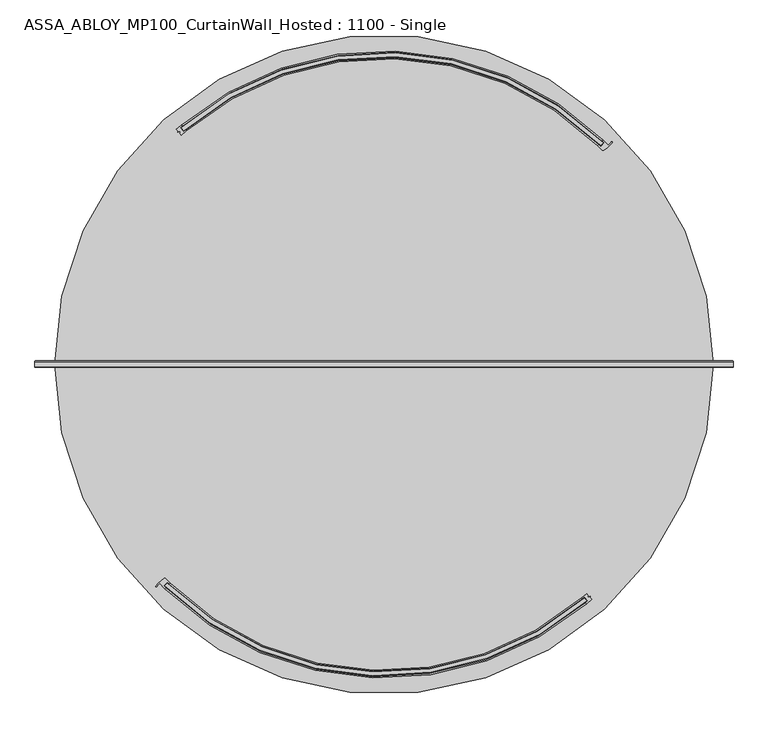
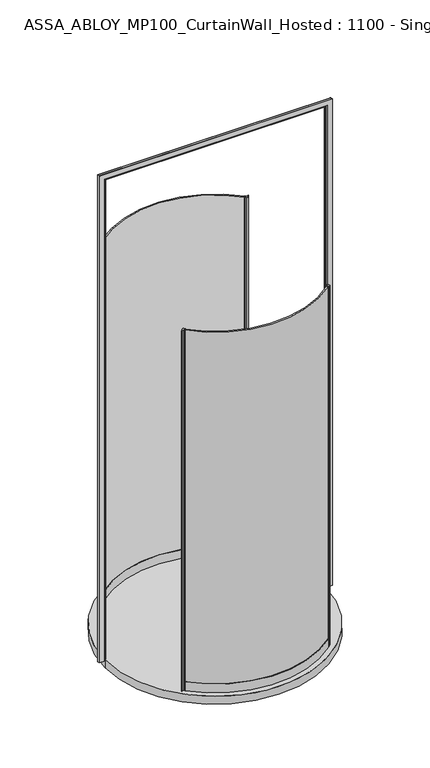
"""IFC4 building model written with IfcOpenShell, lengths in millimetres: plate geometry, ASSA_ABLOY_MP100_CurtainWall_Hosted : 1100 - Single."""

from ifc_helpers import new_model, si_unit, point, frame, origin, origin_with_axes, origin_2d, place, context, project, spatial, polyline, circle_curve, ellipse_curve, trimmed, segment, composite_curve, outline, extrude, source, transform, mapped, element, save
from ifc_brep_helpers import plane_surface, cylinder_surface, revolved_surface, advanced_brep


def assa_abloy_mp100_curtainwall_hosted_1100_single_1b6cb80e(model_context):
    return source(origin(), model_context, "Body", "SolidModel", [
        extrude(outline(composite_curve([segment(trimmed(circle_curve(origin_2d(), 811.0), [point((-570.5467938, -576.3656444))], [point((527.7901271, -615.7585417))], True, "CARTESIAN"), True, "CONTINUOUS"), segment(polyline([(527.7901271, -615.7585417), (534.2527059, -623.3899632)]), True, "CONTINUOUS"), segment(trimmed(circle_curve(origin_2d(), 821.0), [point((534.2527059, -623.3899632))], [point((-577.5380783, -583.5158679))], False, "CARTESIAN"), True, "CONTINUOUS"), segment(polyline([(-577.5380783, -583.5158679), (-570.5467938, -576.3656444)]), True, "CONTINUOUS")], self_intersect=False)), origin_with_axes(), (0.0, 0.0, 1.0), 3000.0),
        extrude(outline(composite_curve([segment(polyline([(533.7320011, -603.9587328), (538.1381376, -609.1617774), (536.2303158, -610.7773936), (538.4921786, -613.4483442), (542.9676446, -611.336699), (543.6838658, -612.1824583), (542.3328773, -614.1151911), (546.6597375, -619.2246211)]), True, "CONTINUOUS"), segment(trimmed(circle_curve(origin_2d(), 826.0), [point((546.6597375, -619.2246211))], [point((533.7996152, -630.3443272))], False, "CARTESIAN"), True, "CONTINUOUS"), segment(polyline([(533.7996152, -630.3443272), (531.8608756, -628.054941)]), True, "CONTINUOUS"), segment(trimmed(circle_curve(origin_2d(), 823.0), [point((531.8608756, -628.054941))], [point((537.1835382, -623.5084974))], True, "CARTESIAN"), True, "CONTINUOUS"), segment(polyline([(537.1835382, -623.5084974), (528.1357541, -612.8243021)]), True, "CONTINUOUS"), segment(trimmed(circle_curve(origin_2d(), 809.0), [point((528.1357541, -612.8243021))], [point((522.6665724, -617.4954689))], False, "CARTESIAN"), True, "CONTINUOUS"), segment(polyline([(522.6665724, -617.4954689), (520.874685, -615.0817527)]), True, "CONTINUOUS"), segment(trimmed(circle_curve(origin_2d(), 806.0), [point((520.874685, -615.0817527))], [point((533.7320011, -603.9587328))], True, "CARTESIAN"), True, "CONTINUOUS")], self_intersect=False)), origin_with_axes(), (0.0, 0.0, 1.0), 3000.0),
        advanced_brep(
        [(-570.5480348, -573.5438015, 0.0), (-580.2493679, -583.6397745, 0.0), (-575.2379597, -588.5273597, 0.0), (-577.3165807, -590.6905367, 0.0), (-591.1628236, -576.824374, 0.0), (-598.3277619, -585.5163218, 0.0), (-600.8993118, -584.2003641, 0.0), (-579.0321791, -563.9142679, 0.0), (-575.3501747, -564.4128948, 0.0), (-563.4591077, -576.2693564, 0.0), (-565.5377286, -578.4325335, 0.0), (-570.5480348, -573.5438015, 3000.0), (-565.5377286, -578.4325335, 3000.0), (-563.4591077, -576.2693564, 3000.0), (-575.3501747, -564.4128948, 3000.0), (-579.0321791, -563.9142679, 3000.0), (-600.8993118, -584.2003641, 3000.0), (-598.3415678, -585.5091083, 3000.0), (-591.1628236, -576.824374, 3000.0), (-577.3165807, -590.6905367, 3000.0), (-575.2379597, -588.5273597, 3000.0), (-580.2493679, -583.6397745, 3000.0)],
        [
            (0, 1),
            (1, 2, circle_curve(frame((-248.5480336, -248.5480336, 0.0), z_axis=(0.0, 0.0, 1.0), x_axis=(-0.707106781186553, 0.7071067811865419, 0.0)), 471.5)),
            (2, 3),
            (3, 4, circle_curve(frame((-248.5480336, -248.5480336, 0.0), z_axis=(0.0, 0.0, -1.0), x_axis=(-0.707106781186553, 0.7071067811865419, 0.0)), 474.5)),
            (4, 5, circle_curve(frame((-574.144606, -598.1518865, 0.0), z_axis=(0.0, 0.0, 1.0), x_axis=(-0.707106781186553, 0.7071067811865419, 0.0)), 27.285207)),
            (5, 6, circle_curve(frame((-599.6148555, -584.8438225, 0.0), z_axis=(0.0, 0.0, -1.0), x_axis=(-0.707106781186553, 0.7071067811865419, 0.0)), 1.4366164)),
            (6, 7, circle_curve(frame((-543.451307, -624.1969482, 0.0), z_axis=(0.0, 0.0, -1.0), x_axis=(-0.707106781186553, 0.7071067811865419, 0.0)), 70.0)),
            (7, 8, circle_curve(frame((-577.5072846, -566.4978114, 0.0), z_axis=(0.0, 0.0, -1.0), x_axis=(-0.707106781186553, 0.7071067811865419, 0.0)), 3.0)),
            (8, 9, circle_curve(frame((-248.5480336, -248.5480336, 0.0), z_axis=(0.0, 0.0, 1.0), x_axis=(-0.707106781186553, 0.7071067811865419, 0.0)), 454.5)),
            (9, 10),
            (10, 0, circle_curve(frame((-248.5480336, -248.5480336, 0.0), z_axis=(0.0, 0.0, -1.0), x_axis=(-0.707106781186553, 0.7071067811865419, 0.0)), 457.5)),
            (11, 12, circle_curve(frame((-248.5480336, -248.5480336, 3000.0), z_axis=(0.0, 0.0, 1.0), x_axis=(-0.707106781186553, 0.7071067811865419, 0.0)), 457.5)),
            (12, 13),
            (13, 14, circle_curve(frame((-248.5480336, -248.5480336, 3000.0), z_axis=(0.0, 0.0, -1.0), x_axis=(-0.707106781186553, 0.7071067811865419, 0.0)), 454.5)),
            (14, 15, circle_curve(frame((-577.5072846, -566.4978114, 3000.0), z_axis=(0.0, 0.0, 1.0), x_axis=(-0.707106781186553, 0.7071067811865419, 0.0)), 3.0)),
            (15, 16, circle_curve(frame((-543.451307, -624.1969482, 3000.0), z_axis=(0.0, 0.0, 1.0), x_axis=(-0.707106781186553, 0.7071067811865419, 0.0)), 70.0)),
            (16, 17, circle_curve(frame((-599.6148555, -584.8438225, 3000.0), z_axis=(0.0, 0.0, 1.0), x_axis=(-0.707106781186553, 0.7071067811865419, 0.0)), 1.4366164)),
            (17, 18, circle_curve(frame((-574.144606, -598.1518865, 3000.0), z_axis=(0.0, 0.0, -1.0), x_axis=(-0.707106781186553, 0.7071067811865419, 0.0)), 27.285207)),
            (18, 19, circle_curve(frame((-248.5480336, -248.5480336, 3000.0), z_axis=(0.0, 0.0, 1.0), x_axis=(-0.707106781186553, 0.7071067811865419, 0.0)), 474.5)),
            (19, 20),
            (20, 21, circle_curve(frame((-248.5480336, -248.5480336, 3000.0), z_axis=(0.0, 0.0, -1.0), x_axis=(-0.707106781186553, 0.7071067811865419, 0.0)), 471.5)),
            (21, 11),
            (0, 11),
            (21, 1),
            (20, 2),
            (19, 3),
            (18, 4),
            (8, 14),
            (13, 9),
            (12, 10),
            (17, 5),
            (16, 6),
            (15, 7),
        ],
        [
            plane_surface(frame((-569.9280656, -569.9280656, 0.0), z_axis=(0.0, 0.0, -1.0), x_axis=(-0.707106781186542, -0.7071067811865531, 0.0))),
            plane_surface(frame((-569.9280656, -569.9280656, 3000.0), z_axis=(0.0, 0.0, 1.0), x_axis=(-0.707106781186542, -0.7071067811865531, 0.0))),
            plane_surface(frame((-570.5480348, -573.5438015, 0.0), z_axis=(0.7210590160944299, -0.692873650320845, 0.0), x_axis=(0.0, 0.0, 1.0))),
            revolved_surface(polyline([(-581.9488809294597, 84.85281372945451, 3000.0), (-581.9488809294597, 84.85281372945451, 0.0)]), (-248.5480336, -248.5480336, 0.0), (0.0, 0.0, 1.0)),
            plane_surface(frame((-575.2379597, -588.5273597, 0.0), z_axis=(0.7210590160945624, -0.6928736503207072, 0.0), x_axis=(0.0, 0.0, 1.0))),
            cylinder_surface(frame((-248.5480336, -248.5480336, 0.0), z_axis=(0.0, 0.0, -1.0), x_axis=(-0.707106781186553, 0.7071067811865419, 0.0)), 474.5),
            revolved_surface(polyline([(-569.9280656492883, 72.83199844928328, 3000.0), (-569.9280656492883, 72.83199844928328, 0.0)]), (-248.5480336, -248.5480336, 0.0), (0.0, 0.0, 1.0)),
            plane_surface(frame((-563.4591077, -576.2693564, 0.0), z_axis=(0.7210590160946411, -0.6928736503206254, 0.0), x_axis=(0.0, 0.0, 1.0))),
            cylinder_surface(frame((-248.5480336, -248.5480336, 0.0), z_axis=(0.0, 0.0, -1.0), x_axis=(-0.707106781186553, 0.7071067811865419, 0.0)), 457.5),
            revolved_surface(polyline([(-593.4381608957788, -578.8583316042216, 3000.0), (-593.4381608957788, -578.8583316042216, 0.0)]), (-574.144606, -598.1518865, 0.0), (0.0, 0.0, 1.0)),
            cylinder_surface(frame((-599.6148555, -584.8438225, 0.0), z_axis=(0.0, 0.0, -1.0), x_axis=(-0.707106781186553, 0.7071067811865419, 0.0)), 1.4366164),
            cylinder_surface(frame((-543.451307, -624.1969482, 0.0), z_axis=(0.0, 0.0, -1.0), x_axis=(-0.707106781186553, 0.7071067811865419, 0.0)), 70.0),
            cylinder_surface(frame((-577.5072846, -566.4978114, 0.0), z_axis=(0.0, 0.0, -1.0), x_axis=(-0.707106781186553, 0.7071067811865419, 0.0)), 3.0),
        ],
        [
            (0, [[1, 2, 3, 4, 5, 6, 7, 8, 9, 10, 11]]),
            (1, [[12, 13, 14, 15, 16, 17, 18, 19, 20, 21, 22]]),
            (2, [[-1, 23, -22, 24]]),
            (3, [[-2, -24, -21, 25]]),
            (4, [[-3, -25, -20, 26]]),
            (5, [[-4, -26, -19, 27]]),
            (6, [[-9, 28, -14, 29]]),
            (7, [[-10, -29, -13, 30]]),
            (8, [[-11, -30, -12, -23]]),
            (9, [[-5, -27, -18, 31]]),
            (10, [[-6, -31, -17, 32]]),
            (11, [[-7, -32, -16, 33]]),
            (12, [[-8, -33, -15, -28]]),
        ],
    ),
        advanced_brep(
        [(-563.4869482, -576.2971969, 73.0), (-563.4869482, -576.2971969, 0.0), (-565.5842942, -578.4422237, 0.0), (-565.5842942, -578.4422237, 24.0), (-575.3719086, -588.4523487, 24.0), (-575.3719086, -588.4523487, 0.0), (-577.4692546, -590.5973755, 0.0), (-577.4692546, -590.5973755, 73.0), (-575.3719086, -588.4523487, 73.0), (-575.3719086, -588.4523487, 39.0), (-565.5842942, -578.4422237, 39.0), (-565.5842942, -578.4422237, 73.0), (520.874685, -615.0817527, 73.0), (522.8134245, -617.3711389, 73.0), (522.8134245, -617.3711389, 39.0), (531.8608756, -628.054941, 39.0), (531.8608756, -628.054941, 73.0), (533.7996152, -630.3443272, 73.0), (533.7996152, -630.3443272, 0.0), (531.8608756, -628.054941, 0.0), (531.8608756, -628.054941, 24.0), (522.8134245, -617.3711389, 24.0), (522.8134245, -617.3711389, 0.0), (520.874685, -615.0817527, 0.0)],
        [
            (0, 1),
            (1, 2),
            (2, 3),
            (3, 4),
            (4, 5),
            (5, 6),
            (6, 7),
            (7, 8),
            (8, 9),
            (9, 10),
            (10, 11),
            (11, 0),
            (12, 13),
            (13, 14),
            (14, 15),
            (15, 16),
            (16, 17),
            (17, 18),
            (18, 19),
            (19, 20),
            (20, 21),
            (21, 22),
            (22, 23),
            (23, 12),
            (23, 1, circle_curve(frame((0.0, 0.0, 0.0), z_axis=(0.0, 0.0, -1.0), x_axis=(-0.6991153203487664, -0.715008929212525, 0.0)), 806.0)),
            (0, 12, circle_curve(frame((0.0, 0.0, 73.0), z_axis=(0.0, 0.0, 1.0), x_axis=(-0.6991153203487664, -0.715008929212525, 0.0)), 806.0)),
            (22, 2, circle_curve(frame((0.0, 0.0, 0.0), z_axis=(0.0, 0.0, -1.0), x_axis=(-0.6991153203487664, -0.715008929212525, 0.0)), 809.0)),
            (21, 3, circle_curve(frame((0.0, 0.0, 24.0), z_axis=(0.0, 0.0, -1.0), x_axis=(-0.6991153203487664, -0.715008929212525, 0.0)), 809.0)),
            (20, 4, circle_curve(frame((0.0, 0.0, 24.0), z_axis=(0.0, 0.0, -1.0), x_axis=(-0.6991153203487664, -0.715008929212525, 0.0)), 823.0)),
            (19, 5, circle_curve(frame((0.0, 0.0, 0.0), z_axis=(0.0, 0.0, -1.0), x_axis=(-0.6991153203487664, -0.715008929212525, 0.0)), 823.0)),
            (18, 6, circle_curve(frame((0.0, 0.0, 0.0), z_axis=(0.0, 0.0, -1.0), x_axis=(-0.6991153203487664, -0.715008929212525, 0.0)), 826.0)),
            (17, 7, circle_curve(frame((0.0, 0.0, 73.0), z_axis=(0.0, 0.0, -1.0), x_axis=(-0.6991153203487664, -0.715008929212525, 0.0)), 826.0)),
            (16, 8, circle_curve(frame((0.0, 0.0, 73.0), z_axis=(0.0, 0.0, -1.0), x_axis=(-0.6991153203487664, -0.715008929212525, 0.0)), 823.0)),
            (15, 9, circle_curve(frame((0.0, 0.0, 39.0), z_axis=(0.0, 0.0, -1.0), x_axis=(-0.6991153203487664, -0.715008929212525, 0.0)), 823.0)),
            (14, 10, circle_curve(frame((0.0, 0.0, 39.0), z_axis=(0.0, 0.0, -1.0), x_axis=(-0.6991153203487664, -0.715008929212525, 0.0)), 809.0)),
            (13, 11, circle_curve(frame((0.0, 0.0, 73.0), z_axis=(0.0, 0.0, -1.0), x_axis=(-0.6991153203487664, -0.715008929212525, 0.0)), 809.0)),
        ],
        [
            plane_surface(frame((-563.4869482, -576.2971969, 0.0), z_axis=(-0.7150089292125251, 0.6991153203487666, 0.0), x_axis=(0.0, 0.0, 1.0))),
            plane_surface(frame((520.874685, -615.0817527, 0.0), z_axis=(0.7631287254543886, 0.6462465074461606, 0.0), x_axis=(0.0, 0.0, 1.0))),
            revolved_surface(polyline([(-563.4869482011057, -576.2971969452951, 73.00000000000003), (-563.4869482011057, -576.2971969452951, 0.0)]), (0.0, 0.0, 0.0), (0.0, 0.0, 1.0000000000000002)),
            plane_surface(frame((0.0, 0.0, 0.0), z_axis=(0.0, 0.0, -1.0000000000000002), x_axis=(-0.6991153203487666, -0.7150089292125251, 0.0))),
            cylinder_surface(frame((0.0, 0.0, 0.0), z_axis=(0.0, 0.0, 1.0000000000000002), x_axis=(-0.6991153203487664, -0.715008929212525, 0.0)), 809.0),
            plane_surface(frame((0.0, 0.0, 24.0), z_axis=(0.0, 0.0, -1.0000000000000002), x_axis=(-0.6991153203487666, -0.7150089292125251, 0.0))),
            revolved_surface(polyline([(-575.3719086470347, -588.452348741908, 24.000000000000014), (-575.3719086470347, -588.452348741908, 0.0)]), (0.0, 0.0, 0.0), (0.0, 0.0, 1.0000000000000002)),
            cylinder_surface(frame((0.0, 0.0, 0.0), z_axis=(0.0, 0.0, 1.0000000000000002), x_axis=(-0.6991153203487664, -0.715008929212525, 0.0)), 826.0),
            plane_surface(frame((0.0, 0.0, 73.0), z_axis=(0.0, 0.0, 1.0000000000000002), x_axis=(-0.6991153203487666, -0.7150089292125251, 0.0))),
            revolved_surface(polyline([(-575.3719086470347, -588.452348741908, 73.00000000000003), (-575.3719086470347, -588.452348741908, 39.000000000000014)]), (0.0, 0.0, 0.0), (0.0, 0.0, 1.0000000000000002)),
            plane_surface(frame((0.0, 0.0, 39.0), z_axis=(0.0, 0.0, 1.0000000000000002), x_axis=(-0.6991153203487666, -0.7150089292125251, 0.0))),
        ],
        [
            (0, [[1, 2, 3, 4, 5, 6, 7, 8, 9, 10, 11, 12]]),
            (1, [[13, 14, 15, 16, 17, 18, 19, 20, 21, 22, 23, 24]]),
            (2, [[25, -1, 26, -24]]),
            (3, [[27, -2, -25, -23]]),
            (4, [[28, -3, -27, -22]]),
            (5, [[29, -4, -28, -21]]),
            (6, [[30, -5, -29, -20]]),
            (3, [[31, -6, -30, -19]]),
            (7, [[32, -7, -31, -18]]),
            (8, [[33, -8, -32, -17]]),
            (9, [[34, -9, -33, -16]]),
            (10, [[35, -10, -34, -15]]),
            (4, [[36, -11, -35, -14]]),
            (8, [[-26, -12, -36, -13]]),
        ],
    ),
        extrude(outline(composite_curve([segment(trimmed(circle_curve(origin_2d(), 811.0), [point((570.5467938, 576.3656444))], [point((-527.7901271, 615.7585417))], True, "CARTESIAN"), True, "CONTINUOUS"), segment(polyline([(-527.7901271, 615.7585417), (-534.2527059, 623.3899632)]), True, "CONTINUOUS"), segment(trimmed(circle_curve(origin_2d(), 821.0), [point((-534.2527059, 623.3899632))], [point((577.5380783, 583.5158679))], False, "CARTESIAN"), True, "CONTINUOUS"), segment(polyline([(577.5380783, 583.5158679), (570.5467938, 576.3656444)]), True, "CONTINUOUS")], self_intersect=False)), origin_with_axes(), (0.0, 0.0, 1.0), 3000.0),
        extrude(outline(composite_curve([segment(polyline([(-533.7320011, 603.9587328), (-538.1381376, 609.1617774), (-536.2303158, 610.7773936), (-538.4921786, 613.4483442), (-542.9676446, 611.336699), (-543.6838658, 612.1824583), (-542.3328773, 614.1151911), (-546.6597375, 619.2246211)]), True, "CONTINUOUS"), segment(trimmed(circle_curve(origin_2d(), 826.0), [point((-546.6597375, 619.2246211))], [point((-533.7996152, 630.3443272))], False, "CARTESIAN"), True, "CONTINUOUS"), segment(polyline([(-533.7996152, 630.3443272), (-531.8608756, 628.054941)]), True, "CONTINUOUS"), segment(trimmed(circle_curve(origin_2d(), 823.0), [point((-531.8608756, 628.054941))], [point((-537.1835382, 623.5084974))], True, "CARTESIAN"), True, "CONTINUOUS"), segment(polyline([(-537.1835382, 623.5084974), (-528.1357541, 612.8243021)]), True, "CONTINUOUS"), segment(trimmed(circle_curve(origin_2d(), 809.0), [point((-528.1357541, 612.8243021))], [point((-522.6665724, 617.4954689))], False, "CARTESIAN"), True, "CONTINUOUS"), segment(polyline([(-522.6665724, 617.4954689), (-520.874685, 615.0817527)]), True, "CONTINUOUS"), segment(trimmed(circle_curve(origin_2d(), 806.0), [point((-520.874685, 615.0817527))], [point((-533.7320011, 603.9587328))], True, "CARTESIAN"), True, "CONTINUOUS")], self_intersect=False)), origin_with_axes(), (0.0, 0.0, 1.0), 3000.0),
        advanced_brep(
        [(570.5480348, 573.5438015, 0.0), (580.2493679, 583.6397745, 0.0), (575.2379597, 588.5273597, 0.0), (577.3165807, 590.6905367, 0.0), (591.1628236, 576.824374, 0.0), (598.3277619, 585.5163218, 0.0), (600.8993118, 584.2003641, 0.0), (579.0321791, 563.9142679, 0.0), (575.3501747, 564.4128948, 0.0), (563.4591077, 576.2693564, 0.0), (565.5377286, 578.4325335, 0.0), (570.5480348, 573.5438015, 3000.0), (565.5377286, 578.4325335, 3000.0), (563.4591077, 576.2693564, 3000.0), (575.3501747, 564.4128948, 3000.0), (579.0321791, 563.9142679, 3000.0), (600.8993118, 584.2003641, 3000.0), (598.3415678, 585.5091083, 3000.0), (591.1628236, 576.824374, 3000.0), (577.3165807, 590.6905367, 3000.0), (575.2379597, 588.5273597, 3000.0), (580.2493679, 583.6397745, 3000.0)],
        [
            (0, 1),
            (1, 2, circle_curve(frame((248.5480336, 248.5480336, 0.0), z_axis=(0.0, 0.0, 1.0), x_axis=(0.7071067811865525, -0.7071067811865417, 0.0)), 471.5)),
            (2, 3),
            (3, 4, circle_curve(frame((248.5480336, 248.5480336, 0.0), z_axis=(0.0, 0.0, -1.0), x_axis=(0.7071067811865525, -0.7071067811865417, 0.0)), 474.5)),
            (4, 5, circle_curve(frame((574.144606, 598.1518865, 0.0), z_axis=(0.0, 0.0, 1.0), x_axis=(0.7071067811865525, -0.7071067811865417, 0.0)), 27.285207)),
            (5, 6, circle_curve(frame((599.6148555, 584.8438225, 0.0), z_axis=(0.0, 0.0, -1.0), x_axis=(0.7071067811865525, -0.7071067811865417, 0.0)), 1.4366164)),
            (6, 7, circle_curve(frame((543.451307, 624.1969482, 0.0), z_axis=(0.0, 0.0, -1.0), x_axis=(0.7071067811865525, -0.7071067811865417, 0.0)), 70.0)),
            (7, 8, circle_curve(frame((577.5072846, 566.4978114, 0.0), z_axis=(0.0, 0.0, -1.0), x_axis=(0.7071067811865525, -0.7071067811865417, 0.0)), 3.0)),
            (8, 9, circle_curve(frame((248.5480336, 248.5480336, 0.0), z_axis=(0.0, 0.0, 1.0), x_axis=(0.7071067811865525, -0.7071067811865417, 0.0)), 454.5)),
            (9, 10),
            (10, 0, circle_curve(frame((248.5480336, 248.5480336, 0.0), z_axis=(0.0, 0.0, -1.0), x_axis=(0.7071067811865525, -0.7071067811865417, 0.0)), 457.5)),
            (11, 12, circle_curve(frame((248.5480336, 248.5480336, 3000.0), z_axis=(0.0, 0.0, 1.0), x_axis=(0.7071067811865525, -0.7071067811865417, 0.0)), 457.5)),
            (12, 13),
            (13, 14, circle_curve(frame((248.5480336, 248.5480336, 3000.0), z_axis=(0.0, 0.0, -1.0), x_axis=(0.7071067811865525, -0.7071067811865417, 0.0)), 454.5)),
            (14, 15, circle_curve(frame((577.5072846, 566.4978114, 3000.0), z_axis=(0.0, 0.0, 1.0), x_axis=(0.7071067811865525, -0.7071067811865417, 0.0)), 3.0)),
            (15, 16, circle_curve(frame((543.451307, 624.1969482, 3000.0), z_axis=(0.0, 0.0, 1.0), x_axis=(0.7071067811865525, -0.7071067811865417, 0.0)), 70.0)),
            (16, 17, circle_curve(frame((599.6148555, 584.8438225, 3000.0), z_axis=(0.0, 0.0, 1.0), x_axis=(0.7071067811865525, -0.7071067811865417, 0.0)), 1.4366164)),
            (17, 18, circle_curve(frame((574.144606, 598.1518865, 3000.0), z_axis=(0.0, 0.0, -1.0), x_axis=(0.7071067811865525, -0.7071067811865417, 0.0)), 27.285207)),
            (18, 19, circle_curve(frame((248.5480336, 248.5480336, 3000.0), z_axis=(0.0, 0.0, 1.0), x_axis=(0.7071067811865525, -0.7071067811865417, 0.0)), 474.5)),
            (19, 20),
            (20, 21, circle_curve(frame((248.5480336, 248.5480336, 3000.0), z_axis=(0.0, 0.0, -1.0), x_axis=(0.7071067811865525, -0.7071067811865417, 0.0)), 471.5)),
            (21, 11),
            (0, 11),
            (21, 1),
            (20, 2),
            (19, 3),
            (18, 4),
            (8, 14),
            (13, 9),
            (12, 10),
            (17, 5),
            (16, 6),
            (15, 7),
        ],
        [
            plane_surface(frame((569.9280656, 569.9280656, 0.0), z_axis=(0.0, 0.0, -1.0), x_axis=(0.7071067811865421, 0.7071067811865529, 0.0))),
            plane_surface(frame((569.9280656, 569.9280656, 3000.0), z_axis=(0.0, 0.0, 1.0), x_axis=(0.7071067811865421, 0.7071067811865529, 0.0))),
            plane_surface(frame((570.5480348, 573.5438015, 0.0), z_axis=(-0.7210590160944298, 0.6928736503208452, 0.0), x_axis=(0.0, 0.0, 1.0))),
            revolved_surface(polyline([(581.9488809294595, -84.8528137294544, 3000.0), (581.9488809294595, -84.8528137294544, 0.0)]), (248.5480336, 248.5480336, 0.0), (0.0, 0.0, 1.0)),
            plane_surface(frame((575.2379597, 588.5273597, 0.0), z_axis=(-0.7210590160945622, 0.6928736503207075, 0.0), x_axis=(0.0, 0.0, 1.0))),
            cylinder_surface(frame((248.5480336, 248.5480336, 0.0), z_axis=(0.0, 0.0, -1.0), x_axis=(0.7071067811865525, -0.7071067811865417, 0.0)), 474.5),
            revolved_surface(polyline([(569.9280656492881, -72.83199844928322, 3000.0), (569.9280656492881, -72.83199844928322, 0.0)]), (248.5480336, 248.5480336, 0.0), (0.0, 0.0, 1.0)),
            plane_surface(frame((563.4591077, 576.2693564, 0.0), z_axis=(-0.7210590160946408, 0.6928736503206255, 0.0), x_axis=(0.0, 0.0, 1.0))),
            cylinder_surface(frame((248.5480336, 248.5480336, 0.0), z_axis=(0.0, 0.0, -1.0), x_axis=(0.7071067811865525, -0.7071067811865417, 0.0)), 457.5),
            revolved_surface(polyline([(593.4381608957788, 578.8583316042216, 3000.0), (593.4381608957788, 578.8583316042216, 0.0)]), (574.144606, 598.1518865, 0.0), (0.0, 0.0, 1.0)),
            cylinder_surface(frame((599.6148555, 584.8438225, 0.0), z_axis=(0.0, 0.0, -1.0), x_axis=(0.7071067811865525, -0.7071067811865417, 0.0)), 1.4366164),
            cylinder_surface(frame((543.451307, 624.1969482, 0.0), z_axis=(0.0, 0.0, -1.0), x_axis=(0.7071067811865525, -0.7071067811865417, 0.0)), 70.0),
            cylinder_surface(frame((577.5072846, 566.4978114, 0.0), z_axis=(0.0, 0.0, -1.0), x_axis=(0.7071067811865525, -0.7071067811865417, 0.0)), 3.0),
        ],
        [
            (0, [[1, 2, 3, 4, 5, 6, 7, 8, 9, 10, 11]]),
            (1, [[12, 13, 14, 15, 16, 17, 18, 19, 20, 21, 22]]),
            (2, [[-1, 23, -22, 24]]),
            (3, [[-2, -24, -21, 25]]),
            (4, [[-3, -25, -20, 26]]),
            (5, [[-4, -26, -19, 27]]),
            (6, [[-9, 28, -14, 29]]),
            (7, [[-10, -29, -13, 30]]),
            (8, [[-11, -30, -12, -23]]),
            (9, [[-5, -27, -18, 31]]),
            (10, [[-6, -31, -17, 32]]),
            (11, [[-7, -32, -16, 33]]),
            (12, [[-8, -33, -15, -28]]),
        ],
    ),
        advanced_brep(
        [(563.4869482, 576.2971969, 73.0), (563.4869482, 576.2971969, 0.0), (565.5842942, 578.4422237, 0.0), (565.5842942, 578.4422237, 24.0), (575.3719086, 588.4523487, 24.0), (575.3719086, 588.4523487, 0.0), (577.4692546, 590.5973755, 0.0), (577.4692546, 590.5973755, 73.0), (575.3719086, 588.4523487, 73.0), (575.3719086, 588.4523487, 39.0), (565.5842942, 578.4422237, 39.0), (565.5842942, 578.4422237, 73.0), (-520.874685, 615.0817527, 73.0), (-522.8134245, 617.3711389, 73.0), (-522.8134245, 617.3711389, 39.0), (-531.8608756, 628.054941, 39.0), (-531.8608756, 628.054941, 73.0), (-533.7996152, 630.3443272, 73.0), (-533.7996152, 630.3443272, 0.0), (-531.8608756, 628.054941, 0.0), (-531.8608756, 628.054941, 24.0), (-522.8134245, 617.3711389, 24.0), (-522.8134245, 617.3711389, 0.0), (-520.874685, 615.0817527, 0.0)],
        [
            (0, 1),
            (1, 2),
            (2, 3),
            (3, 4),
            (4, 5),
            (5, 6),
            (6, 7),
            (7, 8),
            (8, 9),
            (9, 10),
            (10, 11),
            (11, 0),
            (12, 13),
            (13, 14),
            (14, 15),
            (15, 16),
            (16, 17),
            (17, 18),
            (18, 19),
            (19, 20),
            (20, 21),
            (21, 22),
            (22, 23),
            (23, 12),
            (23, 1, circle_curve(frame((0.0, 0.0, 0.0), z_axis=(0.0, 0.0, -1.0), x_axis=(0.6991153203487662, 0.7150089292125245, 0.0)), 806.0)),
            (0, 12, circle_curve(frame((0.0, 0.0, 73.0), z_axis=(0.0, 0.0, 1.0), x_axis=(0.6991153203487662, 0.7150089292125245, 0.0)), 806.0)),
            (22, 2, circle_curve(frame((0.0, 0.0, 0.0), z_axis=(0.0, 0.0, -1.0), x_axis=(0.6991153203487662, 0.7150089292125245, 0.0)), 809.0)),
            (21, 3, circle_curve(frame((0.0, 0.0, 24.0), z_axis=(0.0, 0.0, -1.0), x_axis=(0.6991153203487662, 0.7150089292125245, 0.0)), 809.0)),
            (20, 4, circle_curve(frame((0.0, 0.0, 24.0), z_axis=(0.0, 0.0, -1.0), x_axis=(0.6991153203487662, 0.7150089292125245, 0.0)), 823.0)),
            (19, 5, circle_curve(frame((0.0, 0.0, 0.0), z_axis=(0.0, 0.0, -1.0), x_axis=(0.6991153203487662, 0.7150089292125245, 0.0)), 823.0)),
            (18, 6, circle_curve(frame((0.0, 0.0, 0.0), z_axis=(0.0, 0.0, -1.0), x_axis=(0.6991153203487662, 0.7150089292125245, 0.0)), 826.0)),
            (17, 7, circle_curve(frame((0.0, 0.0, 73.0), z_axis=(0.0, 0.0, -1.0), x_axis=(0.6991153203487662, 0.7150089292125245, 0.0)), 826.0)),
            (16, 8, circle_curve(frame((0.0, 0.0, 73.0), z_axis=(0.0, 0.0, -1.0), x_axis=(0.6991153203487662, 0.7150089292125245, 0.0)), 823.0)),
            (15, 9, circle_curve(frame((0.0, 0.0, 39.0), z_axis=(0.0, 0.0, -1.0), x_axis=(0.6991153203487662, 0.7150089292125245, 0.0)), 823.0)),
            (14, 10, circle_curve(frame((0.0, 0.0, 39.0), z_axis=(0.0, 0.0, -1.0), x_axis=(0.6991153203487662, 0.7150089292125245, 0.0)), 809.0)),
            (13, 11, circle_curve(frame((0.0, 0.0, 73.0), z_axis=(0.0, 0.0, -1.0), x_axis=(0.6991153203487662, 0.7150089292125245, 0.0)), 809.0)),
        ],
        [
            plane_surface(frame((563.4869482, 576.2971969, 0.0), z_axis=(0.7150089292125249, -0.6991153203487666, 0.0), x_axis=(0.0, 0.0, 1.0))),
            plane_surface(frame((-520.874685, 615.0817527, 0.0), z_axis=(-0.7631287254543887, -0.6462465074461604, 0.0), x_axis=(0.0, 0.0, 1.0))),
            revolved_surface(polyline([(563.4869482011055, 576.2971969452947, 73.00000000000003), (563.4869482011055, 576.2971969452947, 0.0)]), (0.0, 0.0, 0.0), (0.0, 0.0, 1.0000000000000002)),
            plane_surface(frame((0.0, 0.0, 0.0), z_axis=(0.0, 0.0, -1.0), x_axis=(0.6991153203487666, 0.7150089292125249, 0.0))),
            cylinder_surface(frame((0.0, 0.0, 0.0), z_axis=(0.0, 0.0, 1.0000000000000002), x_axis=(0.6991153203487662, 0.7150089292125245, 0.0)), 809.0),
            plane_surface(frame((0.0, 0.0, 24.0), z_axis=(0.0, 0.0, -1.0), x_axis=(0.6991153203487666, 0.7150089292125249, 0.0))),
            revolved_surface(polyline([(575.3719086470346, 588.4523487419076, 24.000000000000014), (575.3719086470346, 588.4523487419076, 0.0)]), (0.0, 0.0, 0.0), (0.0, 0.0, 1.0000000000000002)),
            cylinder_surface(frame((0.0, 0.0, 0.0), z_axis=(0.0, 0.0, 1.0000000000000002), x_axis=(0.6991153203487662, 0.7150089292125245, 0.0)), 826.0),
            plane_surface(frame((0.0, 0.0, 73.0), z_axis=(0.0, 0.0, 1.0), x_axis=(0.6991153203487666, 0.7150089292125249, 0.0))),
            revolved_surface(polyline([(575.3719086470346, 588.4523487419076, 73.00000000000003), (575.3719086470346, 588.4523487419076, 39.000000000000014)]), (0.0, 0.0, 0.0), (0.0, 0.0, 1.0000000000000002)),
            plane_surface(frame((0.0, 0.0, 39.0), z_axis=(0.0, 0.0, 1.0), x_axis=(0.6991153203487666, 0.7150089292125249, 0.0))),
        ],
        [
            (0, [[1, 2, 3, 4, 5, 6, 7, 8, 9, 10, 11, 12]]),
            (1, [[13, 14, 15, 16, 17, 18, 19, 20, 21, 22, 23, 24]]),
            (2, [[25, -1, 26, -24]]),
            (3, [[27, -2, -25, -23]]),
            (4, [[28, -3, -27, -22]]),
            (5, [[29, -4, -28, -21]]),
            (6, [[30, -5, -29, -20]]),
            (3, [[31, -6, -30, -19]]),
            (7, [[32, -7, -31, -18]]),
            (8, [[33, -8, -32, -17]]),
            (9, [[34, -9, -33, -16]]),
            (10, [[35, -10, -34, -15]]),
            (4, [[36, -11, -35, -14]]),
            (8, [[-26, -12, -36, -13]]),
        ],
    ),
        extrude(outline(composite_curve([segment(trimmed(circle_curve(origin_2d(), 867.5), [point((-867.5, 0.0))], [point((867.5, 0.0))], False, "CARTESIAN"), True, "CONTINUOUS"), segment(trimmed(circle_curve(origin_2d(), 867.5), [point((867.5, 0.0))], [point((-867.5, 0.0))], False, "CARTESIAN"), True, "CONTINUOUS")], self_intersect=False)), frame((0.0, 0.0, -65.0), z_axis=(0.0, 0.0, 1.0), x_axis=(1.0, 0.0, 0.0)), (0.0, 0.0, 1.0), 65.0),
        advanced_brep(
        [(868.4, 6.0, 0.0), (870.6980762, 6.0, 0.0), (871.5980762, 5.1, 0.0), (871.5980762, -5.1, 0.0), (870.6980762, -6.0, 0.0), (868.4, -6.0, 0.0), (867.5, -5.1, 0.0), (867.5, 5.1, 0.0), (-868.4, 6.0, 0.0), (-867.5, 5.1, 0.0), (-867.5, -5.1, 0.0), (-868.4, -6.0, 0.0), (-870.6980762, -6.0, 0.0), (-871.5980762, -5.1, 0.0), (-871.5980762, 5.1, 0.0), (-870.6980762, 6.0, 0.0), (868.4, 6.0, 4001.8), (-868.4, 6.0, 4001.8), (-870.6980762, 6.0, 4004.0980762), (870.6980762, 6.0, 4004.0980762), (871.5980762, 5.1, 4004.9980762), (871.5980762, -5.1, 4004.9980762), (870.6980762, -6.0, 4004.0980762), (-870.6980762, -6.0, 4004.0980762), (-868.4, -6.0, 4001.8), (868.4, -6.0, 4001.8), (867.5, -5.1, 4000.9), (867.5, 5.1, 4000.9), (-871.5980762, 5.1, 4004.9980762), (-871.5980762, -5.1, 4004.9980762), (-867.5, -5.1, 4000.9), (-867.5, 5.1, 4000.9)],
        [
            (0, 1),
            (1, 2, circle_curve(frame((870.6980762, 5.1, 0.0), z_axis=(0.0, 0.0, -1.0), x_axis=(-1.0, 0.0, 0.0)), 0.9)),
            (2, 3),
            (3, 4, circle_curve(frame((870.6980762, -5.1, 0.0), z_axis=(0.0, 0.0, -1.0), x_axis=(-1.0, 0.0, 0.0)), 0.9)),
            (4, 5),
            (5, 6, circle_curve(frame((868.4, -5.1, 0.0), z_axis=(0.0, 0.0, -1.0), x_axis=(-1.0, 0.0, 0.0)), 0.9)),
            (6, 7),
            (7, 0, circle_curve(frame((868.4, 5.1, 0.0), z_axis=(0.0, 0.0, -1.0), x_axis=(-1.0, 0.0, 0.0)), 0.9)),
            (8, 9, circle_curve(frame((-868.4, 5.1, 0.0), z_axis=(0.0, 0.0, -1.0), x_axis=(1.0, 0.0, 0.0)), 0.9)),
            (9, 10),
            (10, 11, circle_curve(frame((-868.4, -5.1, 0.0), z_axis=(0.0, 0.0, -1.0), x_axis=(1.0, 0.0, 0.0)), 0.9)),
            (11, 12),
            (12, 13, circle_curve(frame((-870.6980762, -5.1, 0.0), z_axis=(0.0, 0.0, -1.0), x_axis=(1.0, 0.0, 0.0)), 0.9)),
            (13, 14),
            (14, 15, circle_curve(frame((-870.6980762, 5.1, 0.0), z_axis=(0.0, 0.0, -1.0), x_axis=(1.0, 0.0, 0.0)), 0.9)),
            (15, 8),
            (0, 16),
            (16, 17),
            (17, 8),
            (15, 18),
            (18, 19),
            (19, 1),
            (19, 20, ellipse_curve(frame((870.6980762, 5.1, 4004.0980762), z_axis=(0.7071067811865475, 0.0, -0.7071067811865475), x_axis=(-0.7071067811865474, 0.0, -0.7071067811865476)), 1.2727922, 0.9)),
            (20, 2),
            (20, 21),
            (21, 3),
            (21, 22, ellipse_curve(frame((870.6980762, -5.1, 4004.0980762), z_axis=(0.7071067811865475, 0.0, -0.7071067811865475), x_axis=(-0.7071067811865474, 0.0, -0.7071067811865476)), 1.2727922, 0.9)),
            (22, 4),
            (22, 23),
            (23, 12),
            (11, 24),
            (24, 25),
            (25, 5),
            (25, 26, ellipse_curve(frame((868.4, -5.1, 4001.8), z_axis=(0.7071067811865475, 0.0, -0.7071067811865475), x_axis=(-0.7071067811865474, 0.0, -0.7071067811865476)), 1.2727922, 0.9)),
            (26, 6),
            (26, 27),
            (27, 7),
            (27, 16, ellipse_curve(frame((868.4, 5.1, 4001.8), z_axis=(0.7071067811865475, 0.0, -0.7071067811865475), x_axis=(-0.7071067811865474, 0.0, -0.7071067811865476)), 1.2727922, 0.9)),
            (18, 28, ellipse_curve(frame((-870.6980762, 5.1, 4004.0980762), z_axis=(0.7071067811865475, 0.0, 0.7071067811865475), x_axis=(0.7071067811865476, 0.0, -0.7071067811865474)), 1.2727922, 0.9)),
            (28, 20),
            (28, 29),
            (29, 21),
            (29, 23, ellipse_curve(frame((-870.6980762, -5.1, 4004.0980762), z_axis=(0.7071067811865475, 0.0, 0.7071067811865475), x_axis=(0.7071067811865476, 0.0, -0.7071067811865474)), 1.2727922, 0.9)),
            (24, 30, ellipse_curve(frame((-868.4, -5.1, 4001.8), z_axis=(0.7071067811865475, 0.0, 0.7071067811865475), x_axis=(0.7071067811865476, 0.0, -0.7071067811865474)), 1.2727922, 0.9)),
            (30, 26),
            (30, 31),
            (31, 27),
            (31, 17, ellipse_curve(frame((-868.4, 5.1, 4001.8), z_axis=(0.7071067811865475, 0.0, 0.7071067811865475), x_axis=(0.7071067811865476, 0.0, -0.7071067811865474)), 1.2727922, 0.9)),
            (14, 28),
            (13, 29),
            (10, 30),
            (9, 31),
        ],
        [
            plane_surface(frame((871.6, 0.0, 0.0), z_axis=(0.0, 0.0, -1.0), x_axis=(0.0, -1.0, 0.0))),
            plane_surface(frame((-871.6, 0.0, 0.0), z_axis=(0.0, 0.0, -1.0), x_axis=(0.0, -1.0, 0.0))),
            plane_surface(frame((868.4, 6.0, 0.0), z_axis=(0.0, 1.0, 0.0), x_axis=(0.0, 0.0, 1.0))),
            cylinder_surface(frame((870.6980762, 5.1, 0.0), z_axis=(0.0, 0.0, -1.0), x_axis=(-1.0, 0.0, 0.0)), 0.9),
            plane_surface(frame((871.5980762, 5.1, 0.0), z_axis=(1.0, 0.0, 0.0), x_axis=(0.0, 0.0, 1.0))),
            cylinder_surface(frame((870.6980762, -5.1, 0.0), z_axis=(0.0, 0.0, -1.0), x_axis=(-1.0, 0.0, 0.0)), 0.9),
            plane_surface(frame((870.6980762, -6.0, 0.0), z_axis=(0.0, -1.0, 0.0), x_axis=(0.0, 0.0, 1.0))),
            cylinder_surface(frame((868.4, -5.1, 0.0), z_axis=(0.0, 0.0, -1.0), x_axis=(-1.0, 0.0, 0.0)), 0.9),
            plane_surface(frame((867.5, -5.1, 0.0), z_axis=(-1.0, 0.0, 0.0), x_axis=(0.0, 0.0, 1.0))),
            cylinder_surface(frame((868.4, 5.1, 0.0), z_axis=(0.0, 0.0, -1.0), x_axis=(-1.0, 0.0, 0.0)), 0.9),
            cylinder_surface(frame((871.6, 5.1, 4004.0980762), z_axis=(1.0, 0.0, 0.0), x_axis=(0.0, 0.0, -1.0)), 0.9),
            plane_surface(frame((871.5980762, 5.1, 4004.9980762), z_axis=(0.0, 0.0, 1.0), x_axis=(-1.0, 0.0, 0.0))),
            cylinder_surface(frame((871.6, -5.1, 4004.0980762), z_axis=(1.0, 0.0, 0.0), x_axis=(0.0, 0.0, -1.0)), 0.9),
            cylinder_surface(frame((871.6, -5.1, 4001.8), z_axis=(1.0, 0.0, 0.0), x_axis=(0.0, 0.0, -1.0)), 0.9),
            plane_surface(frame((867.5, -5.1, 4000.9), z_axis=(0.0, 0.0, -1.0), x_axis=(-1.0, 0.0, 0.0))),
            cylinder_surface(frame((871.6, 5.1, 4001.8), z_axis=(1.0, 0.0, 0.0), x_axis=(0.0, 0.0, -1.0)), 0.9),
            cylinder_surface(frame((-870.6980762, 5.1, 4005.0), z_axis=(0.0, 0.0, 1.0), x_axis=(1.0, 0.0, 0.0)), 0.9),
            plane_surface(frame((-871.5980762, 5.1, 4004.9980762), z_axis=(-1.0, 0.0, 0.0), x_axis=(0.0, 0.0, -1.0))),
            cylinder_surface(frame((-870.6980762, -5.1, 4005.0), z_axis=(0.0, 0.0, 1.0), x_axis=(1.0, 0.0, 0.0)), 0.9),
            cylinder_surface(frame((-868.4, -5.1, 4005.0), z_axis=(0.0, 0.0, 1.0), x_axis=(1.0, 0.0, 0.0)), 0.9),
            plane_surface(frame((-867.5, -5.1, 4000.9), z_axis=(1.0, 0.0, 0.0), x_axis=(0.0, 0.0, -1.0))),
            cylinder_surface(frame((-868.4, 5.1, 4005.0), z_axis=(0.0, 0.0, 1.0), x_axis=(1.0, 0.0, 0.0)), 0.9),
        ],
        [
            (0, [[1, 2, 3, 4, 5, 6, 7, 8]]),
            (1, [[9, 10, 11, 12, 13, 14, 15, 16]]),
            (2, [[-1, 17, 18, 19, -16, 20, 21, 22]]),
            (3, [[-2, -22, 23, 24]]),
            (4, [[-3, -24, 25, 26]]),
            (5, [[-4, -26, 27, 28]]),
            (6, [[-5, -28, 29, 30, -12, 31, 32, 33]]),
            (7, [[-6, -33, 34, 35]]),
            (8, [[-7, -35, 36, 37]]),
            (9, [[-8, -37, 38, -17]]),
            (10, [[-23, -21, 39, 40]]),
            (11, [[-25, -40, 41, 42]]),
            (12, [[-27, -42, 43, -29]]),
            (13, [[-34, -32, 44, 45]]),
            (14, [[-36, -45, 46, 47]]),
            (15, [[-38, -47, 48, -18]]),
            (16, [[-39, -20, -15, 49]]),
            (17, [[-41, -49, -14, 50]]),
            (18, [[-43, -50, -13, -30]]),
            (19, [[-44, -31, -11, 51]]),
            (20, [[-46, -51, -10, 52]]),
            (21, [[-48, -52, -9, -19]]),
        ],
    ),
        advanced_brep(
        [(918.9209519, 8.5, 0.0), (919.5980762, 7.0, 0.0), (919.5980762, -7.0, 0.0), (918.9209519, -8.5, 0.0), (879.5980762, -8.5, 0.0), (879.5980762, 8.5, 0.0), (-918.9209519, 8.5, 0.0), (-879.5980762, 8.5, 0.0), (-879.5980762, -8.5, 0.0), (-918.9209519, -8.5, 0.0), (-919.5980762, -7.0, 0.0), (-919.5980762, 7.0, 0.0), (918.9209519, 8.5, 4052.3209519), (919.5980762, 7.0, 4052.9980762), (919.5980762, -7.0, 4052.9980762), (918.9209519, -8.5, 4052.3209519), (-918.9209519, -8.5, 4052.3209519), (-879.5980762, -8.5, 4012.9980762), (879.5980762, -8.5, 4012.9980762), (879.5980762, 8.5, 4012.9980762), (-879.5980762, 8.5, 4012.9980762), (-918.9209519, 8.5, 4052.3209519), (-919.5980762, 7.0, 4052.9980762), (-919.5980762, -7.0, 4052.9980762)],
        [
            (0, 1, circle_curve(frame((917.5980762, 7.0, 0.0), z_axis=(0.0, 0.0, -1.0), x_axis=(-1.0, 0.0, 0.0)), 2.0)),
            (1, 2),
            (2, 3, circle_curve(frame((917.5980762, -7.0, 0.0), z_axis=(0.0, 0.0, -1.0), x_axis=(-1.0, 0.0, 0.0)), 2.0)),
            (3, 4),
            (4, 5),
            (5, 0),
            (6, 7),
            (7, 8),
            (8, 9),
            (9, 10, circle_curve(frame((-917.5980762, -7.0, 0.0), z_axis=(0.0, 0.0, -1.0), x_axis=(1.0, 0.0, 0.0)), 2.0)),
            (10, 11),
            (11, 6, circle_curve(frame((-917.5980762, 7.0, 0.0), z_axis=(0.0, 0.0, -1.0), x_axis=(1.0, 0.0, 0.0)), 2.0)),
            (0, 12),
            (12, 13, ellipse_curve(frame((917.5980762, 7.0, 4050.9980762), z_axis=(0.7071067811865475, 0.0, -0.7071067811865475), x_axis=(-0.7071067811865474, 0.0, -0.7071067811865476)), 2.8284271, 2.0)),
            (13, 1),
            (13, 14),
            (14, 2),
            (14, 15, ellipse_curve(frame((917.5980762, -7.0, 4050.9980762), z_axis=(0.7071067811865475, 0.0, -0.7071067811865475), x_axis=(-0.7071067811865474, 0.0, -0.7071067811865476)), 2.8284271, 2.0)),
            (15, 3),
            (15, 16),
            (16, 9),
            (8, 17),
            (17, 18),
            (18, 4),
            (18, 19),
            (19, 5),
            (19, 20),
            (20, 7),
            (6, 21),
            (21, 12),
            (21, 22, ellipse_curve(frame((-917.5980762, 7.0, 4050.9980762), z_axis=(0.7071067811865475, 0.0, 0.7071067811865475), x_axis=(0.7071067811865476, 0.0, -0.7071067811865474)), 2.8284271, 2.0)),
            (22, 13),
            (22, 23),
            (23, 14),
            (23, 16, ellipse_curve(frame((-917.5980762, -7.0, 4050.9980762), z_axis=(0.7071067811865475, 0.0, 0.7071067811865475), x_axis=(0.7071067811865476, 0.0, -0.7071067811865474)), 2.8284271, 2.0)),
            (17, 20),
            (11, 22),
            (10, 23),
        ],
        [
            plane_surface(frame((871.6, 0.0, 0.0), z_axis=(0.0, 0.0, -1.0), x_axis=(0.0, -1.0, 0.0))),
            plane_surface(frame((-871.6, 0.0, 0.0), z_axis=(0.0, 0.0, -1.0), x_axis=(0.0, -1.0, 0.0))),
            cylinder_surface(frame((917.5980762, 7.0, 0.0), z_axis=(0.0, 0.0, -1.0), x_axis=(-1.0, 0.0, 0.0)), 2.0),
            plane_surface(frame((919.5980762, 7.0, 0.0), z_axis=(1.0, 0.0, 0.0), x_axis=(0.0, 0.0, 1.0))),
            cylinder_surface(frame((917.5980762, -7.0, 0.0), z_axis=(0.0, 0.0, -1.0), x_axis=(-1.0, 0.0, 0.0)), 2.0),
            plane_surface(frame((918.9209519, -8.5, 0.0), z_axis=(0.0, -1.0, 0.0), x_axis=(0.0, 0.0, 1.0))),
            plane_surface(frame((879.5980762, -8.5, 0.0), z_axis=(-1.0, 0.0, 0.0), x_axis=(0.0, 0.0, 1.0))),
            plane_surface(frame((879.5980762, 8.5, 0.0), z_axis=(0.0, 1.0, 0.0), x_axis=(0.0, 0.0, 1.0))),
            cylinder_surface(frame((871.6, 7.0, 4050.9980762), z_axis=(1.0, 0.0, 0.0), x_axis=(0.0, 0.0, -1.0)), 2.0),
            plane_surface(frame((919.5980762, 7.0, 4052.9980762), z_axis=(0.0, 0.0, 1.0), x_axis=(-1.0, 0.0, 0.0))),
            cylinder_surface(frame((871.6, -7.0, 4050.9980762), z_axis=(1.0, 0.0, 0.0), x_axis=(0.0, 0.0, -1.0)), 2.0),
            plane_surface(frame((879.5980762, -8.5, 4012.9980762), z_axis=(0.0, 0.0, -1.0), x_axis=(-1.0, 0.0, 0.0))),
            cylinder_surface(frame((-917.5980762, 7.0, 4005.0), z_axis=(0.0, 0.0, 1.0), x_axis=(1.0, 0.0, 0.0)), 2.0),
            plane_surface(frame((-919.5980762, 7.0, 4052.9980762), z_axis=(-1.0, 0.0, 0.0), x_axis=(0.0, 0.0, -1.0))),
            cylinder_surface(frame((-917.5980762, -7.0, 4005.0), z_axis=(0.0, 0.0, 1.0), x_axis=(1.0, 0.0, 0.0)), 2.0),
            plane_surface(frame((-879.5980762, -8.5, 4012.9980762), z_axis=(1.0, 0.0, 0.0), x_axis=(0.0, 0.0, -1.0))),
        ],
        [
            (0, [[1, 2, 3, 4, 5, 6]]),
            (1, [[7, 8, 9, 10, 11, 12]]),
            (2, [[-1, 13, 14, 15]]),
            (3, [[-2, -15, 16, 17]]),
            (4, [[-3, -17, 18, 19]]),
            (5, [[-4, -19, 20, 21, -9, 22, 23, 24]]),
            (6, [[-5, -24, 25, 26]]),
            (7, [[-6, -26, 27, 28, -7, 29, 30, -13]]),
            (8, [[-14, -30, 31, 32]]),
            (9, [[-16, -32, 33, 34]]),
            (10, [[-18, -34, 35, -20]]),
            (11, [[-25, -23, 36, -27]]),
            (12, [[-31, -29, -12, 37]]),
            (13, [[-33, -37, -11, 38]]),
            (14, [[-35, -38, -10, -21]]),
            (15, [[-36, -22, -8, -28]]),
        ],
    ),
    ])


if __name__ == "__main__":
    model = new_model("IFC4")
    model_context = context("Model", 3, world=origin())
    ifc_project = project(units=[si_unit("LENGTHUNIT", "METRE", prefix="MILLI")], contexts=[model_context])
    site = spatial("IfcSite", under=ifc_project)
    building = spatial("IfcBuilding", under=site)
    placement = place(None, origin())
    assa_abloy_mp100_curtainwall_hosted_1100_single_shape = assa_abloy_mp100_curtainwall_hosted_1100_single_1b6cb80e(model_context)
    element("IfcPlate", 1, ObjectType="ASSA_ABLOY_MP100_CurtainWall_Hosted : 1100 - Single", at=placement, inside=building, context=model_context, shape_type="MappedRepresentation", body=[
        mapped(assa_abloy_mp100_curtainwall_hosted_1100_single_shape, transform((0.0, 0.0, 0.0), x_axis=(1.0, 0.0, 0.0), y_axis=(0.0, 1.0, 0.0), z_axis=(0.0, 0.0, 1.0))),
    ])
    save(model, "model.ifc")
